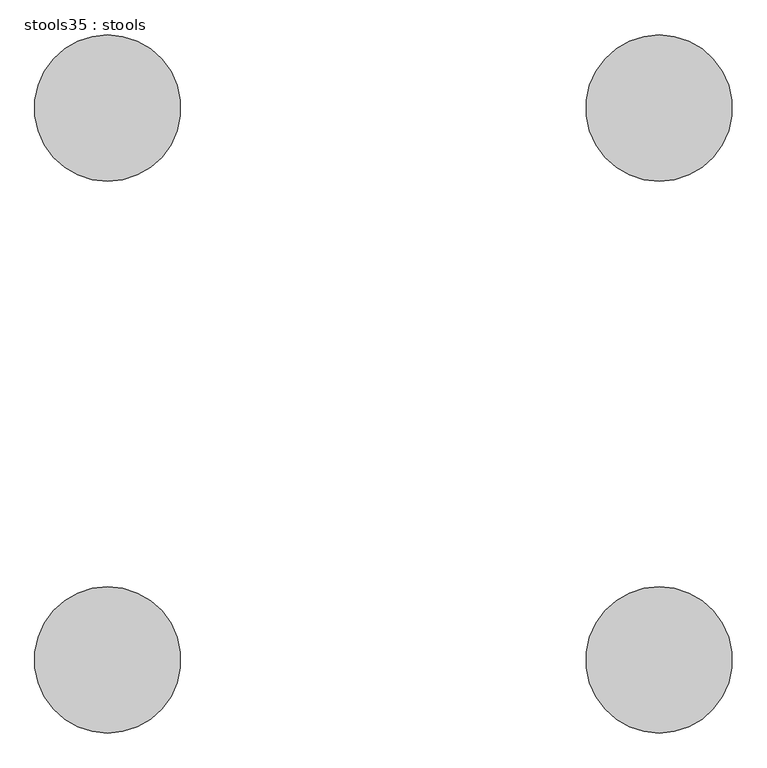
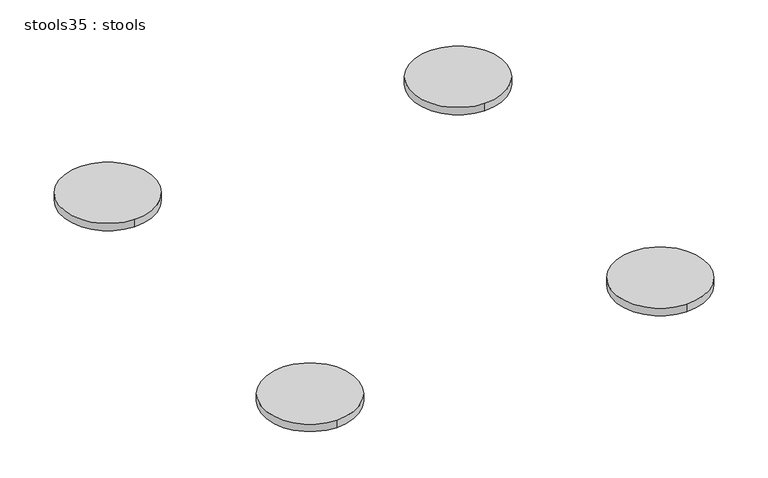
"""IFC4 building model written with IfcOpenShell, lengths in millimetres: furniture geometry, stools35 : stools."""

from ifc_helpers import new_model, si_unit, point, frame, frame_2d, origin, place, context, project, spatial, circle_curve, trimmed, segment, composite_curve, outline, extrude, source, transform, mapped, element, save


def stools35_stools_406c58e1(model_context):
    return source(origin(), model_context, "Body", "SweptSolid", [
        extrude(outline(composite_curve([segment(trimmed(circle_curve(frame_2d((-119344.661225, -37327.3814083)), 152.4), [point((-119344.661225, -37174.9814083))], [point((-119344.661225, -37479.7814083))], False, "CARTESIAN"), True, "CONTINUOUS"), segment(trimmed(circle_curve(frame_2d((-119344.661225, -37327.3814083)), 152.4), [point((-119344.661225, -37479.7814083))], [point((-119344.661225, -37174.9814083))], False, "CARTESIAN"), True, "CONTINUOUS")], self_intersect=False)), frame((0.0, 0.0, 457.2), z_axis=(0.0, 0.0, 1.0), x_axis=(1.0, 0.0, 0.0)), (0.0, 0.0, 1.0), 25.4),
        extrude(outline(composite_curve([segment(trimmed(circle_curve(frame_2d((-120494.1340085, -37327.3814083)), 152.4), [point((-120494.1340085, -37174.9814083))], [point((-120494.1340085, -37479.7814083))], False, "CARTESIAN"), True, "CONTINUOUS"), segment(trimmed(circle_curve(frame_2d((-120494.1340085, -37327.3814083)), 152.4), [point((-120494.1340085, -37479.7814083))], [point((-120494.1340085, -37174.9814083))], False, "CARTESIAN"), True, "CONTINUOUS")], self_intersect=False)), frame((0.0, 0.0, 457.2), z_axis=(0.0, 0.0, 1.0), x_axis=(1.0, 0.0, 0.0)), (0.0, 0.0, 1.0), 25.4),
        extrude(outline(composite_curve([segment(trimmed(circle_curve(frame_2d((-119344.661225, -36177.9086249)), 152.4), [point((-119344.661225, -36330.3086249))], [point((-119344.661225, -36025.5086249))], False, "CARTESIAN"), True, "CONTINUOUS"), segment(trimmed(circle_curve(frame_2d((-119344.661225, -36177.9086249)), 152.4), [point((-119344.661225, -36025.5086249))], [point((-119344.661225, -36330.3086249))], False, "CARTESIAN"), True, "CONTINUOUS")], self_intersect=False)), frame((0.0, 0.0, 457.2), z_axis=(0.0, 0.0, 1.0), x_axis=(1.0, 0.0, 0.0)), (0.0, 0.0, 1.0), 25.4),
        extrude(outline(composite_curve([segment(trimmed(circle_curve(frame_2d((-120494.1340085, -36177.9086249)), 152.4), [point((-120494.1340085, -36330.3086249))], [point((-120494.1340085, -36025.5086249))], False, "CARTESIAN"), True, "CONTINUOUS"), segment(trimmed(circle_curve(frame_2d((-120494.1340085, -36177.9086249)), 152.4), [point((-120494.1340085, -36025.5086249))], [point((-120494.1340085, -36330.3086249))], False, "CARTESIAN"), True, "CONTINUOUS")], self_intersect=False)), frame((0.0, 0.0, 457.2), z_axis=(0.0, 0.0, 1.0), x_axis=(1.0, 0.0, 0.0)), (0.0, 0.0, 1.0), 25.4),
    ])


if __name__ == "__main__":
    model = new_model("IFC4")
    model_context = context("Model", 3, world=origin())
    ifc_project = project(units=[si_unit("LENGTHUNIT", "METRE", prefix="MILLI")], contexts=[model_context])
    site = spatial("IfcSite", under=ifc_project)
    building = spatial("IfcBuilding", under=site)
    placement = place(None, origin())
    stools35_stools_shape = stools35_stools_406c58e1(model_context)
    element("IfcFurniture", 1, ObjectType="stools35 : stools", at=placement, inside=building, context=model_context, shape_type="MappedRepresentation", body=[
        mapped(stools35_stools_shape, transform((0.0, 0.0, 0.0), x_axis=(1.0, 0.0, 0.0), y_axis=(0.0, 1.0, 0.0), z_axis=(0.0, 0.0, 1.0))),
    ])
    save(model, "model.ifc")
